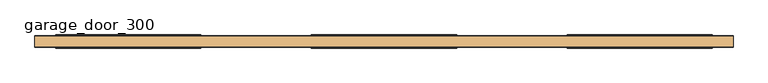
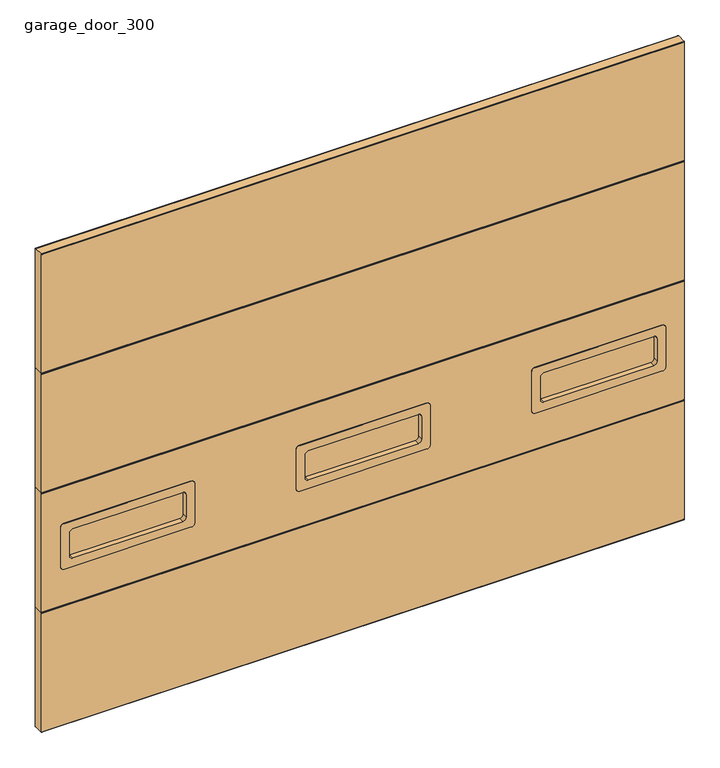
"""IFC4 building model written with IfcOpenShell, lengths in millimetres: door geometry, garage_door_300."""

from ifc_helpers import new_model, si_unit, point, frame, frame_2d, origin, place, context, project, spatial, polyline, circle_curve, trimmed, segment, composite_curve, outline, extrude, source, transform, mapped, element, save
from ifc_brep_helpers import plane_surface, cylinder_surface, revolved_surface, advanced_brep


def garage_door_300_9dfd5930(model_context):
    return source(origin(), model_context, "Body", "SolidModel", [
        extrude(outline(composite_curve([segment(trimmed(circle_curve(frame_2d((1557.15, -1377.95)), 15.875), [point((1573.025, -1377.95))], [point((1557.15, -1393.825))], False, "CARTESIAN"), True, "CONTINUOUS"), segment(polyline([(1557.15, -1393.825), (1442.85, -1393.825)]), True, "CONTINUOUS"), segment(trimmed(circle_curve(frame_2d((1442.85, -1377.95)), 15.875), [point((1442.85, -1393.825))], [point((1426.975, -1377.95))], False, "CARTESIAN"), True, "CONTINUOUS"), segment(polyline([(1426.975, -1377.95), (1426.975, -857.25)]), True, "CONTINUOUS"), segment(trimmed(circle_curve(frame_2d((1442.85, -857.25)), 15.875), [point((1426.975, -857.25))], [point((1442.85, -841.375))], False, "CARTESIAN"), True, "CONTINUOUS"), segment(polyline([(1442.85, -841.375), (1557.15, -841.375)]), True, "CONTINUOUS"), segment(trimmed(circle_curve(frame_2d((1557.15, -857.25)), 15.875), [point((1557.15, -841.375))], [point((1573.025, -857.25))], False, "CARTESIAN"), True, "CONTINUOUS"), segment(polyline([(1573.025, -857.25), (1573.025, -1377.95)]), True, "CONTINUOUS")], self_intersect=False)), frame((0.0, -286.275, 0.0), z_axis=(0.0, 1.0, 0.0), x_axis=(0.0, 0.0, 1.0)), (0.0, 0.0, 1.0), 6.35),
        extrude(outline(composite_curve([segment(polyline([(1385.7, -1419.225), (1385.7, -815.975)]), True, "CONTINUOUS"), segment(trimmed(circle_curve(frame_2d((1401.575, -815.975)), 15.875), [point((1385.7, -815.975))], [point((1401.575, -800.1))], False, "CARTESIAN"), True, "CONTINUOUS"), segment(polyline([(1401.575, -800.1), (1598.425, -800.1)]), True, "CONTINUOUS"), segment(trimmed(circle_curve(frame_2d((1598.425, -815.975)), 15.875), [point((1598.425, -800.1))], [point((1614.3, -815.975))], False, "CARTESIAN"), True, "CONTINUOUS"), segment(polyline([(1614.3, -815.975), (1614.3, -1419.225)]), True, "CONTINUOUS"), segment(trimmed(circle_curve(frame_2d((1598.425, -1419.225)), 15.875), [point((1614.3, -1419.225))], [point((1598.425, -1435.1))], False, "CARTESIAN"), True, "CONTINUOUS"), segment(polyline([(1598.425, -1435.1), (1401.575, -1435.1)]), True, "CONTINUOUS"), segment(trimmed(circle_curve(frame_2d((1401.575, -1419.225)), 15.875), [point((1401.575, -1435.1))], [point((1385.7, -1419.225))], False, "CARTESIAN"), True, "CONTINUOUS")], self_intersect=False), holes=[composite_curve([segment(trimmed(circle_curve(frame_2d((1442.85, -1377.95)), 15.875), [point((1426.975, -1377.95))], [point((1442.85, -1393.825))], True, "CARTESIAN"), True, "CONTINUOUS"), segment(polyline([(1442.85, -1393.825), (1557.15, -1393.825)]), True, "CONTINUOUS"), segment(trimmed(circle_curve(frame_2d((1557.15, -1377.95)), 15.875), [point((1557.15, -1393.825))], [point((1573.025, -1377.95))], True, "CARTESIAN"), True, "CONTINUOUS"), segment(polyline([(1573.025, -1377.95), (1573.025, -857.25)]), True, "CONTINUOUS"), segment(trimmed(circle_curve(frame_2d((1557.15, -857.25)), 15.875), [point((1573.025, -857.25))], [point((1557.15, -841.375))], True, "CARTESIAN"), True, "CONTINUOUS"), segment(polyline([(1557.15, -841.375), (1442.85, -841.375)]), True, "CONTINUOUS"), segment(trimmed(circle_curve(frame_2d((1442.85, -857.25)), 15.875), [point((1442.85, -841.375))], [point((1426.975, -857.25))], True, "CARTESIAN"), True, "CONTINUOUS"), segment(polyline([(1426.975, -857.25), (1426.975, -1377.95)]), True, "CONTINUOUS")], self_intersect=False)]), frame((0.0, -311.675, 0.0), z_axis=(0.0, 1.0, 0.0), x_axis=(0.0, 0.0, 1.0)), (0.0, 0.0, 1.0), 57.15),
        extrude(outline(composite_curve([segment(trimmed(circle_curve(frame_2d((1557.15, -260.35)), 15.875), [point((1573.025, -260.35))], [point((1557.15, -276.225))], False, "CARTESIAN"), True, "CONTINUOUS"), segment(polyline([(1557.15, -276.225), (1442.85, -276.225)]), True, "CONTINUOUS"), segment(trimmed(circle_curve(frame_2d((1442.85, -260.35)), 15.875), [point((1442.85, -276.225))], [point((1426.975, -260.35))], False, "CARTESIAN"), True, "CONTINUOUS"), segment(polyline([(1426.975, -260.35), (1426.975, 260.35)]), True, "CONTINUOUS"), segment(trimmed(circle_curve(frame_2d((1442.85, 260.35)), 15.875), [point((1426.975, 260.35))], [point((1442.85, 276.225))], False, "CARTESIAN"), True, "CONTINUOUS"), segment(polyline([(1442.85, 276.225), (1557.15, 276.225)]), True, "CONTINUOUS"), segment(trimmed(circle_curve(frame_2d((1557.15, 260.35)), 15.875), [point((1557.15, 276.225))], [point((1573.025, 260.35))], False, "CARTESIAN"), True, "CONTINUOUS"), segment(polyline([(1573.025, 260.35), (1573.025, -260.35)]), True, "CONTINUOUS")], self_intersect=False)), frame((0.0, -286.275, 0.0), z_axis=(0.0, 1.0, 0.0), x_axis=(0.0, 0.0, 1.0)), (0.0, 0.0, 1.0), 6.35),
        extrude(outline(composite_curve([segment(polyline([(1385.7, -301.625), (1385.7, 301.625)]), True, "CONTINUOUS"), segment(trimmed(circle_curve(frame_2d((1401.575, 301.625)), 15.875), [point((1385.7, 301.625))], [point((1401.575, 317.5))], False, "CARTESIAN"), True, "CONTINUOUS"), segment(polyline([(1401.575, 317.5), (1598.425, 317.5)]), True, "CONTINUOUS"), segment(trimmed(circle_curve(frame_2d((1598.425, 301.625)), 15.875), [point((1598.425, 317.5))], [point((1614.3, 301.625))], False, "CARTESIAN"), True, "CONTINUOUS"), segment(polyline([(1614.3, 301.625), (1614.3, -301.625)]), True, "CONTINUOUS"), segment(trimmed(circle_curve(frame_2d((1598.425, -301.625)), 15.875), [point((1614.3, -301.625))], [point((1598.425, -317.5))], False, "CARTESIAN"), True, "CONTINUOUS"), segment(polyline([(1598.425, -317.5), (1401.575, -317.5)]), True, "CONTINUOUS"), segment(trimmed(circle_curve(frame_2d((1401.575, -301.625)), 15.875), [point((1401.575, -317.5))], [point((1385.7, -301.625))], False, "CARTESIAN"), True, "CONTINUOUS")], self_intersect=False), holes=[composite_curve([segment(trimmed(circle_curve(frame_2d((1442.85, -260.35)), 15.875), [point((1426.975, -260.35))], [point((1442.85, -276.225))], True, "CARTESIAN"), True, "CONTINUOUS"), segment(polyline([(1442.85, -276.225), (1557.15, -276.225)]), True, "CONTINUOUS"), segment(trimmed(circle_curve(frame_2d((1557.15, -260.35)), 15.875), [point((1557.15, -276.225))], [point((1573.025, -260.35))], True, "CARTESIAN"), True, "CONTINUOUS"), segment(polyline([(1573.025, -260.35), (1573.025, 260.35)]), True, "CONTINUOUS"), segment(trimmed(circle_curve(frame_2d((1557.15, 260.35)), 15.875), [point((1573.025, 260.35))], [point((1557.15, 276.225))], True, "CARTESIAN"), True, "CONTINUOUS"), segment(polyline([(1557.15, 276.225), (1442.85, 276.225)]), True, "CONTINUOUS"), segment(trimmed(circle_curve(frame_2d((1442.85, 260.35)), 15.875), [point((1442.85, 276.225))], [point((1426.975, 260.35))], True, "CARTESIAN"), True, "CONTINUOUS"), segment(polyline([(1426.975, 260.35), (1426.975, -260.35)]), True, "CONTINUOUS")], self_intersect=False)]), frame((0.0, -311.675, 0.0), z_axis=(0.0, 1.0, 0.0), x_axis=(0.0, 0.0, 1.0)), (0.0, 0.0, 1.0), 57.15),
        extrude(outline(composite_curve([segment(trimmed(circle_curve(frame_2d((1557.15, 857.25)), 15.875), [point((1573.025, 857.25))], [point((1557.15, 841.375))], False, "CARTESIAN"), True, "CONTINUOUS"), segment(polyline([(1557.15, 841.375), (1442.85, 841.375)]), True, "CONTINUOUS"), segment(trimmed(circle_curve(frame_2d((1442.85, 857.25)), 15.875), [point((1442.85, 841.375))], [point((1426.975, 857.25))], False, "CARTESIAN"), True, "CONTINUOUS"), segment(polyline([(1426.975, 857.25), (1426.975, 1377.95)]), True, "CONTINUOUS"), segment(trimmed(circle_curve(frame_2d((1442.85, 1377.95)), 15.875), [point((1426.975, 1377.95))], [point((1442.85, 1393.825))], False, "CARTESIAN"), True, "CONTINUOUS"), segment(polyline([(1442.85, 1393.825), (1557.15, 1393.825)]), True, "CONTINUOUS"), segment(trimmed(circle_curve(frame_2d((1557.15, 1377.95)), 15.875), [point((1557.15, 1393.825))], [point((1573.025, 1377.95))], False, "CARTESIAN"), True, "CONTINUOUS"), segment(polyline([(1573.025, 1377.95), (1573.025, 857.25)]), True, "CONTINUOUS")], self_intersect=False)), frame((0.0, -286.275, 0.0), z_axis=(0.0, 1.0, 0.0), x_axis=(0.0, 0.0, 1.0)), (0.0, 0.0, 1.0), 6.35),
        extrude(outline(composite_curve([segment(polyline([(1385.7, 815.975), (1385.7, 1419.225)]), True, "CONTINUOUS"), segment(trimmed(circle_curve(frame_2d((1401.575, 1419.225)), 15.875), [point((1385.7, 1419.225))], [point((1401.575, 1435.1))], False, "CARTESIAN"), True, "CONTINUOUS"), segment(polyline([(1401.575, 1435.1), (1598.425, 1435.1)]), True, "CONTINUOUS"), segment(trimmed(circle_curve(frame_2d((1598.425, 1419.225)), 15.875), [point((1598.425, 1435.1))], [point((1614.3, 1419.225))], False, "CARTESIAN"), True, "CONTINUOUS"), segment(polyline([(1614.3, 1419.225), (1614.3, 815.975)]), True, "CONTINUOUS"), segment(trimmed(circle_curve(frame_2d((1598.425, 815.975)), 15.875), [point((1614.3, 815.975))], [point((1598.425, 800.1))], False, "CARTESIAN"), True, "CONTINUOUS"), segment(polyline([(1598.425, 800.1), (1401.575, 800.1)]), True, "CONTINUOUS"), segment(trimmed(circle_curve(frame_2d((1401.575, 815.975)), 15.875), [point((1401.575, 800.1))], [point((1385.7, 815.975))], False, "CARTESIAN"), True, "CONTINUOUS")], self_intersect=False), holes=[composite_curve([segment(trimmed(circle_curve(frame_2d((1442.85, 857.25)), 15.875), [point((1426.975, 857.25))], [point((1442.85, 841.375))], True, "CARTESIAN"), True, "CONTINUOUS"), segment(polyline([(1442.85, 841.375), (1557.15, 841.375)]), True, "CONTINUOUS"), segment(trimmed(circle_curve(frame_2d((1557.15, 857.25)), 15.875), [point((1557.15, 841.375))], [point((1573.025, 857.25))], True, "CARTESIAN"), True, "CONTINUOUS"), segment(polyline([(1573.025, 857.25), (1573.025, 1377.95)]), True, "CONTINUOUS"), segment(trimmed(circle_curve(frame_2d((1557.15, 1377.95)), 15.875), [point((1573.025, 1377.95))], [point((1557.15, 1393.825))], True, "CARTESIAN"), True, "CONTINUOUS"), segment(polyline([(1557.15, 1393.825), (1442.85, 1393.825)]), True, "CONTINUOUS"), segment(trimmed(circle_curve(frame_2d((1442.85, 1377.95)), 15.875), [point((1442.85, 1393.825))], [point((1426.975, 1377.95))], True, "CARTESIAN"), True, "CONTINUOUS"), segment(polyline([(1426.975, 1377.95), (1426.975, 857.25)]), True, "CONTINUOUS")], self_intersect=False)]), frame((0.0, -311.675, 0.0), z_axis=(0.0, 1.0, 0.0), x_axis=(0.0, 0.0, 1.0)), (0.0, 0.0, 1.0), 57.15),
        advanced_brep(
        [(1525.4, -305.3393461, 1800.0), (1525.4, -308.5, 1796.8393461), (1525.4, -308.5, 1203.1606539), (1525.4, -305.3393461, 1200.0), (1525.4, -260.8564999, 1200.0), (1525.4, -257.7, 1203.1564999), (1525.4, -257.7, 1298.3673318), (1525.4, -258.4701339, 1299.5532341), (1525.4, -258.716, 1300.383264), (1525.4, -258.716, 1302.816736), (1525.4, -258.4701339, 1303.6467659), (1525.4, -257.7, 1304.8326682), (1525.4, -257.7, 1436.7673318), (1525.4, -258.4701339, 1437.9532341), (1525.4, -258.716, 1438.783264), (1525.4, -258.716, 1441.216736), (1525.4, -258.4701339, 1442.0467659), (1525.4, -257.7, 1443.2326682), (1525.4, -257.7, 1575.1673318), (1525.4, -258.4701339, 1576.3532341), (1525.4, -258.716, 1577.183264), (1525.4, -258.716, 1579.616736), (1525.4, -258.4701339, 1580.4467659), (1525.4, -257.7, 1581.6326682), (1525.4, -257.7, 1713.5673318), (1525.4, -258.4701339, 1714.7532341), (1525.4, -258.716, 1715.583264), (1525.4, -258.716, 1718.016736), (1525.4, -258.4701339, 1718.8467659), (1525.4, -257.7, 1720.0326682), (1525.4, -257.7, 1796.8435001), (1525.4, -260.8564999, 1800.0), (-1525.4, -305.3393461, 1800.0), (-1525.4, -260.8564999, 1800.0), (-1525.4, -257.7, 1796.8435001), (-1525.4, -257.7, 1720.0326682), (-1525.4, -258.4701339, 1718.8467659), (-1525.4, -258.716, 1718.016736), (-1525.4, -258.716, 1715.583264), (-1525.4, -258.4701339, 1714.7532341), (-1525.4, -257.7, 1713.5673318), (-1525.4, -257.7, 1581.6326682), (-1525.4, -258.4701339, 1580.4467659), (-1525.4, -258.716, 1579.616736), (-1525.4, -258.716, 1577.183264), (-1525.4, -258.4701339, 1576.3532341), (-1525.4, -257.7, 1575.1673318), (-1525.4, -257.7, 1443.2326682), (-1525.4, -258.4701339, 1442.0467659), (-1525.4, -258.716, 1441.216736), (-1525.4, -258.716, 1438.783264), (-1525.4, -258.4701339, 1437.9532341), (-1525.4, -257.7, 1436.7673318), (-1525.4, -257.7, 1304.8326682), (-1525.4, -258.4701339, 1303.6467659), (-1525.4, -258.716, 1302.816736), (-1525.4, -258.716, 1300.383264), (-1525.4, -258.4701339, 1299.5532341), (-1525.4, -257.7, 1298.3673318), (-1525.4, -257.7, 1203.1564999), (-1525.4, -260.8564999, 1200.0), (-1525.4, -305.3393461, 1200.0), (-1525.4, -308.5, 1203.1606539), (-1525.4, -308.5, 1796.8393461), (825.5, -257.7, 1411.1), (1409.7, -257.7, 1411.1), (1409.7, -257.7, 1436.7673318), (-1409.7, -257.7, 1436.7673318), (-1409.7, -257.7, 1411.1), (-825.5, -257.7, 1411.1), (-825.5, -257.7, 1436.7673318), (-292.1, -257.7, 1436.7673318), (-292.1, -257.7, 1411.1), (292.1, -257.7, 1411.1), (292.1, -257.7, 1436.7673318), (825.5, -257.7, 1436.7673318), (1409.7, -257.7, 1588.9), (825.5, -257.7, 1588.9), (825.5, -257.7, 1581.6326682), (292.1, -257.7, 1581.6326682), (292.1, -257.7, 1588.9), (-292.1, -257.7, 1588.9), (-292.1, -257.7, 1581.6326682), (-825.5, -257.7, 1581.6326682), (-825.5, -257.7, 1588.9), (-1409.7, -257.7, 1588.9), (-1409.7, -257.7, 1581.6326682), (1409.7, -257.7, 1581.6326682), (-1409.7, -257.7, 1443.2326682), (-1409.7, -257.7, 1575.1673318), (825.5, -257.7, 1500.0), (825.5, -257.7, 1443.2326682), (292.1, -257.7, 1443.2326682), (292.1, -257.7, 1575.1673318), (825.5, -257.7, 1575.1673318), (1409.7, -257.7, 1443.2326682), (1409.7, -257.7, 1500.0), (1409.7, -257.7, 1575.1673318), (-292.1, -257.7, 1443.2326682), (-825.5, -257.7, 1443.2326682), (-825.5, -257.7, 1575.1673318), (-292.1, -257.7, 1575.1673318), (-1409.7, -308.5, 1588.9), (-825.5, -308.5, 1588.9), (-825.5, -308.5, 1411.1), (-1409.7, -308.5, 1411.1), (825.5, -308.5, 1588.9), (1409.7, -308.5, 1588.9), (1409.7, -308.5, 1500.0), (1409.7, -308.5, 1411.1), (825.5, -308.5, 1411.1), (825.5, -308.5, 1500.0), (-292.1, -308.5, 1588.9), (292.1, -308.5, 1588.9), (292.1, -308.5, 1411.1), (-292.1, -308.5, 1411.1), (825.5, -258.4701339, 1437.9532341), (825.5, -258.716, 1438.783264), (825.5, -258.716, 1441.216736), (825.5, -258.4701339, 1442.0467659), (825.5, -258.4701339, 1576.3532341), (825.5, -258.716, 1577.183264), (825.5, -258.716, 1579.616736), (825.5, -258.4701339, 1580.4467659), (1409.7, -258.4701339, 1580.4467659), (1409.7, -258.716, 1579.616736), (1409.7, -258.716, 1577.183264), (1409.7, -258.4701339, 1576.3532341), (1409.7, -258.4701339, 1442.0467659), (1409.7, -258.716, 1441.216736), (1409.7, -258.716, 1438.783264), (1409.7, -258.4701339, 1437.9532341), (-1409.7, -258.4701339, 1437.9532341), (-1409.7, -258.716, 1438.783264), (-1409.7, -258.716, 1441.216736), (-1409.7, -258.4701339, 1442.0467659), (-1409.7, -258.4701339, 1576.3532341), (-1409.7, -258.716, 1577.183264), (-1409.7, -258.716, 1579.616736), (-1409.7, -258.4701339, 1580.4467659), (-825.5, -258.4701339, 1580.4467659), (-825.5, -258.716, 1579.616736), (-825.5, -258.716, 1577.183264), (-825.5, -258.4701339, 1576.3532341), (-825.5, -258.4701339, 1442.0467659), (-825.5, -258.716, 1441.216736), (-825.5, -258.716, 1438.783264), (-825.5, -258.4701339, 1437.9532341), (-292.1, -258.4701339, 1437.9532341), (-292.1, -258.716, 1438.783264), (-292.1, -258.716, 1441.216736), (-292.1, -258.4701339, 1442.0467659), (-292.1, -258.4701339, 1576.3532341), (-292.1, -258.716, 1577.183264), (-292.1, -258.716, 1579.616736), (-292.1, -258.4701339, 1580.4467659), (292.1, -258.4701339, 1580.4467659), (292.1, -258.716, 1579.616736), (292.1, -258.716, 1577.183264), (292.1, -258.4701339, 1576.3532341), (292.1, -258.4701339, 1442.0467659), (292.1, -258.716, 1441.216736), (292.1, -258.716, 1438.783264), (292.1, -258.4701339, 1437.9532341)],
        [
            (0, 1, circle_curve(frame((1525.4, -305.3393461, 1796.8393461), z_axis=(1.0, 0.0, 0.0), x_axis=(0.0, 0.0, 1.0)), 3.1606539)),
            (1, 2),
            (2, 3, circle_curve(frame((1525.4, -305.3393461, 1203.1606539), z_axis=(1.0, 0.0, 0.0), x_axis=(0.0, 0.0, 1.0)), 3.1606539)),
            (3, 4),
            (4, 5, circle_curve(frame((1525.4, -260.8564999, 1203.1564999), z_axis=(1.0, 0.0, 0.0), x_axis=(0.0, 0.0, 1.0)), 3.1564999)),
            (5, 6),
            (6, 7),
            (7, 8, circle_curve(frame((1525.4, -257.192, 1300.383264), z_axis=(-1.0, 0.0, 0.0), x_axis=(0.0, 1.0, 0.0)), 1.524)),
            (8, 9),
            (9, 10, circle_curve(frame((1525.4, -257.192, 1302.816736), z_axis=(-1.0, 0.0, 0.0), x_axis=(0.0, 1.0, 0.0)), 1.524)),
            (10, 11),
            (11, 12),
            (12, 13),
            (13, 14, circle_curve(frame((1525.4, -257.192, 1438.783264), z_axis=(-1.0, 0.0, 0.0), x_axis=(0.0, 1.0, 0.0)), 1.524)),
            (14, 15),
            (15, 16, circle_curve(frame((1525.4, -257.192, 1441.216736), z_axis=(-1.0, 0.0, 0.0), x_axis=(0.0, 1.0, 0.0)), 1.524)),
            (16, 17),
            (17, 18),
            (18, 19),
            (19, 20, circle_curve(frame((1525.4, -257.192, 1577.183264), z_axis=(-1.0, 0.0, 0.0), x_axis=(0.0, 1.0, 0.0)), 1.524)),
            (20, 21),
            (21, 22, circle_curve(frame((1525.4, -257.192, 1579.616736), z_axis=(-1.0, 0.0, 0.0), x_axis=(0.0, 1.0, 0.0)), 1.524)),
            (22, 23),
            (23, 24),
            (24, 25),
            (25, 26, circle_curve(frame((1525.4, -257.192, 1715.583264), z_axis=(-1.0, 0.0, 0.0), x_axis=(0.0, 1.0, 0.0)), 1.524)),
            (26, 27),
            (27, 28, circle_curve(frame((1525.4, -257.192, 1718.016736), z_axis=(-1.0, 0.0, 0.0), x_axis=(0.0, 1.0, 0.0)), 1.524)),
            (28, 29),
            (29, 30),
            (30, 31, circle_curve(frame((1525.4, -260.8564999, 1796.8435001), z_axis=(1.0, 0.0, 0.0), x_axis=(0.0, 0.0, 1.0)), 3.1564999)),
            (31, 0),
            (32, 33),
            (33, 34, circle_curve(frame((-1525.4, -260.8564999, 1796.8435001), z_axis=(-1.0, 0.0, 0.0), x_axis=(0.0, 0.0, 1.0)), 3.1564999)),
            (34, 35),
            (35, 36),
            (36, 37, circle_curve(frame((-1525.4, -257.192, 1718.016736), z_axis=(1.0, 0.0, 0.0), x_axis=(0.0, 1.0, 0.0)), 1.524)),
            (37, 38),
            (38, 39, circle_curve(frame((-1525.4, -257.192, 1715.583264), z_axis=(1.0, 0.0, 0.0), x_axis=(0.0, 1.0, 0.0)), 1.524)),
            (39, 40),
            (40, 41),
            (41, 42),
            (42, 43, circle_curve(frame((-1525.4, -257.192, 1579.616736), z_axis=(1.0, 0.0, 0.0), x_axis=(0.0, 1.0, 0.0)), 1.524)),
            (43, 44),
            (44, 45, circle_curve(frame((-1525.4, -257.192, 1577.183264), z_axis=(1.0, 0.0, 0.0), x_axis=(0.0, 1.0, 0.0)), 1.524)),
            (45, 46),
            (46, 47),
            (47, 48),
            (48, 49, circle_curve(frame((-1525.4, -257.192, 1441.216736), z_axis=(1.0, 0.0, 0.0), x_axis=(0.0, 1.0, 0.0)), 1.524)),
            (49, 50),
            (50, 51, circle_curve(frame((-1525.4, -257.192, 1438.783264), z_axis=(1.0, 0.0, 0.0), x_axis=(0.0, 1.0, 0.0)), 1.524)),
            (51, 52),
            (52, 53),
            (53, 54),
            (54, 55, circle_curve(frame((-1525.4, -257.192, 1302.816736), z_axis=(1.0, 0.0, 0.0), x_axis=(0.0, 1.0, 0.0)), 1.524)),
            (55, 56),
            (56, 57, circle_curve(frame((-1525.4, -257.192, 1300.383264), z_axis=(1.0, 0.0, 0.0), x_axis=(0.0, 1.0, 0.0)), 1.524)),
            (57, 58),
            (58, 59),
            (59, 60, circle_curve(frame((-1525.4, -260.8564999, 1203.1564999), z_axis=(-1.0, 0.0, 0.0), x_axis=(0.0, 0.0, 1.0)), 3.1564999)),
            (60, 61),
            (61, 62, circle_curve(frame((-1525.4, -305.3393461, 1203.1606539), z_axis=(-1.0, 0.0, 0.0), x_axis=(0.0, 0.0, 1.0)), 3.1606539)),
            (62, 63),
            (63, 32, circle_curve(frame((-1525.4, -305.3393461, 1796.8393461), z_axis=(-1.0, 0.0, 0.0), x_axis=(0.0, 0.0, 1.0)), 3.1606539)),
            (31, 33),
            (32, 0),
            (5, 59),
            (58, 6),
            (64, 65),
            (65, 66),
            (66, 12),
            (11, 53),
            (52, 67),
            (67, 68),
            (68, 69),
            (69, 70),
            (70, 71),
            (71, 72),
            (72, 73),
            (73, 74),
            (74, 75),
            (75, 64),
            (76, 77),
            (77, 78),
            (78, 79),
            (79, 80),
            (80, 81),
            (81, 82),
            (82, 83),
            (83, 84),
            (84, 85),
            (85, 86),
            (86, 41),
            (40, 24),
            (23, 87),
            (87, 76),
            (34, 30),
            (29, 35),
            (88, 47),
            (46, 89),
            (89, 88),
            (90, 91),
            (91, 92),
            (92, 93),
            (93, 94),
            (94, 90),
            (95, 96),
            (96, 97),
            (97, 18),
            (17, 95),
            (98, 99),
            (99, 100),
            (100, 101),
            (101, 98),
            (1, 63),
            (62, 2),
            (102, 103),
            (103, 104),
            (104, 105),
            (105, 102),
            (106, 107),
            (107, 108),
            (108, 109),
            (109, 110),
            (110, 111),
            (111, 106),
            (112, 113),
            (113, 114),
            (114, 115),
            (115, 112),
            (61, 3),
            (60, 4),
            (77, 106),
            (110, 64),
            (75, 116),
            (116, 117, circle_curve(frame((825.5, -257.192, 1438.783264), z_axis=(-1.0, 0.0, 0.0), x_axis=(0.0, 1.0, 0.0)), 1.524)),
            (117, 118),
            (118, 119, circle_curve(frame((825.5, -257.192, 1441.216736), z_axis=(-1.0, 0.0, 0.0), x_axis=(0.0, 1.0, 0.0)), 1.524)),
            (119, 91),
            (94, 120),
            (120, 121, circle_curve(frame((825.5, -257.192, 1577.183264), z_axis=(-1.0, 0.0, 0.0), x_axis=(0.0, 1.0, 0.0)), 1.524)),
            (121, 122),
            (122, 123, circle_curve(frame((825.5, -257.192, 1579.616736), z_axis=(-1.0, 0.0, 0.0), x_axis=(0.0, 1.0, 0.0)), 1.524)),
            (123, 78),
            (107, 76),
            (87, 124),
            (124, 125, circle_curve(frame((1409.7, -257.192, 1579.616736), z_axis=(1.0, 0.0, 0.0), x_axis=(0.0, 1.0, 0.0)), 1.524)),
            (125, 126),
            (126, 127, circle_curve(frame((1409.7, -257.192, 1577.183264), z_axis=(1.0, 0.0, 0.0), x_axis=(0.0, 1.0, 0.0)), 1.524)),
            (127, 97),
            (95, 128),
            (128, 129, circle_curve(frame((1409.7, -257.192, 1441.216736), z_axis=(1.0, 0.0, 0.0), x_axis=(0.0, 1.0, 0.0)), 1.524)),
            (129, 130),
            (130, 131, circle_curve(frame((1409.7, -257.192, 1438.783264), z_axis=(1.0, 0.0, 0.0), x_axis=(0.0, 1.0, 0.0)), 1.524)),
            (131, 66),
            (65, 109),
            (85, 102),
            (105, 68),
            (67, 132),
            (132, 133, circle_curve(frame((-1409.7, -257.192, 1438.783264), z_axis=(-1.0, 0.0, 0.0), x_axis=(0.0, 1.0, 0.0)), 1.524)),
            (133, 134),
            (134, 135, circle_curve(frame((-1409.7, -257.192, 1441.216736), z_axis=(-1.0, 0.0, 0.0), x_axis=(0.0, 1.0, 0.0)), 1.524)),
            (135, 88),
            (89, 136),
            (136, 137, circle_curve(frame((-1409.7, -257.192, 1577.183264), z_axis=(-1.0, 0.0, 0.0), x_axis=(0.0, 1.0, 0.0)), 1.524)),
            (137, 138),
            (138, 139, circle_curve(frame((-1409.7, -257.192, 1579.616736), z_axis=(-1.0, 0.0, 0.0), x_axis=(0.0, 1.0, 0.0)), 1.524)),
            (139, 86),
            (103, 84),
            (83, 140),
            (140, 141, circle_curve(frame((-825.5, -257.192, 1579.616736), z_axis=(1.0, 0.0, 0.0), x_axis=(0.0, 1.0, 0.0)), 1.524)),
            (141, 142),
            (142, 143, circle_curve(frame((-825.5, -257.192, 1577.183264), z_axis=(1.0, 0.0, 0.0), x_axis=(0.0, 1.0, 0.0)), 1.524)),
            (143, 100),
            (99, 144),
            (144, 145, circle_curve(frame((-825.5, -257.192, 1441.216736), z_axis=(1.0, 0.0, 0.0), x_axis=(0.0, 1.0, 0.0)), 1.524)),
            (145, 146),
            (146, 147, circle_curve(frame((-825.5, -257.192, 1438.783264), z_axis=(1.0, 0.0, 0.0), x_axis=(0.0, 1.0, 0.0)), 1.524)),
            (147, 70),
            (69, 104),
            (81, 112),
            (115, 72),
            (71, 148),
            (148, 149, circle_curve(frame((-292.1, -257.192, 1438.783264), z_axis=(-1.0, 0.0, 0.0), x_axis=(0.0, 1.0, 0.0)), 1.524)),
            (149, 150),
            (150, 151, circle_curve(frame((-292.1, -257.192, 1441.216736), z_axis=(-1.0, 0.0, 0.0), x_axis=(0.0, 1.0, 0.0)), 1.524)),
            (151, 98),
            (101, 152),
            (152, 153, circle_curve(frame((-292.1, -257.192, 1577.183264), z_axis=(-1.0, 0.0, 0.0), x_axis=(0.0, 1.0, 0.0)), 1.524)),
            (153, 154),
            (154, 155, circle_curve(frame((-292.1, -257.192, 1579.616736), z_axis=(-1.0, 0.0, 0.0), x_axis=(0.0, 1.0, 0.0)), 1.524)),
            (155, 82),
            (113, 80),
            (79, 156),
            (156, 157, circle_curve(frame((292.1, -257.192, 1579.616736), z_axis=(1.0, 0.0, 0.0), x_axis=(0.0, 1.0, 0.0)), 1.524)),
            (157, 158),
            (158, 159, circle_curve(frame((292.1, -257.192, 1577.183264), z_axis=(1.0, 0.0, 0.0), x_axis=(0.0, 1.0, 0.0)), 1.524)),
            (159, 93),
            (92, 160),
            (160, 161, circle_curve(frame((292.1, -257.192, 1441.216736), z_axis=(1.0, 0.0, 0.0), x_axis=(0.0, 1.0, 0.0)), 1.524)),
            (161, 162),
            (162, 163, circle_curve(frame((292.1, -257.192, 1438.783264), z_axis=(1.0, 0.0, 0.0), x_axis=(0.0, 1.0, 0.0)), 1.524)),
            (163, 74),
            (73, 114),
            (10, 54),
            (57, 7),
            (8, 56),
            (55, 9),
            (16, 128),
            (119, 160),
            (135, 48),
            (151, 144),
            (131, 13),
            (163, 116),
            (51, 132),
            (147, 148),
            (14, 130),
            (129, 15),
            (117, 162),
            (161, 118),
            (133, 50),
            (49, 134),
            (149, 146),
            (145, 150),
            (123, 156),
            (22, 124),
            (155, 140),
            (139, 42),
            (159, 120),
            (127, 19),
            (143, 152),
            (45, 136),
            (121, 158),
            (157, 122),
            (20, 126),
            (125, 21),
            (153, 142),
            (141, 154),
            (137, 44),
            (43, 138),
            (28, 36),
            (39, 25),
            (26, 38),
            (37, 27),
        ],
        [
            plane_surface(frame((1525.4, -305.3393461, 1800.0), z_axis=(1.0, 0.0, 0.0), x_axis=(0.0, -1.0, 0.0))),
            plane_surface(frame((-1525.4, -305.3393461, 1800.0), z_axis=(-1.0, 0.0, 0.0), x_axis=(0.0, 1.0, 0.0))),
            plane_surface(frame((1525.4, -260.8564999, 1800.0), z_axis=(0.0, 0.0, 1.0), x_axis=(-1.0, 0.0, 0.0))),
            plane_surface(frame((1525.4, -257.7, 1203.1564999), z_axis=(0.0, 1.0, 0.0), x_axis=(-1.0, 0.0, 0.0))),
            plane_surface(frame((1525.4, -308.5, 1796.8393461), z_axis=(0.0, -1.0, 0.0), x_axis=(-1.0, 0.0, 0.0))),
            cylinder_surface(frame((-1525.4, -260.8564999, 1796.8435001), z_axis=(1.0, 0.0, 0.0), x_axis=(0.0, 0.0, 1.0)), 3.1564999),
            cylinder_surface(frame((-1525.4, -305.3393461, 1796.8393461), z_axis=(1.0, 0.0, 0.0), x_axis=(0.0, 0.0, 1.0)), 3.1606539),
            cylinder_surface(frame((-1525.4, -305.3393461, 1203.1606539), z_axis=(1.0, 0.0, 0.0), x_axis=(0.0, 0.0, 1.0)), 3.1606539),
            plane_surface(frame((1525.4, -305.3393461, 1200.0), z_axis=(0.0, 0.0, -1.0), x_axis=(-1.0, 0.0, 0.0))),
            cylinder_surface(frame((-1525.4, -260.8564999, 1203.1564999), z_axis=(1.0, 0.0, 0.0), x_axis=(0.0, 0.0, 1.0)), 3.1564999),
            plane_surface(frame((825.5, -308.5, 1588.9), z_axis=(1.0, 0.0, 0.0), x_axis=(0.0, 1.0, 0.0))),
            plane_surface(frame((1409.7, -308.5, 1500.0), z_axis=(-1.0, 0.0, 0.0), x_axis=(0.0, 1.0, 0.0))),
            plane_surface(frame((1409.7, -308.5, 1588.9), z_axis=(0.0, 0.0, -1.0), x_axis=(0.0, 1.0, 0.0))),
            plane_surface(frame((825.5, -308.5, 1411.1), z_axis=(0.0, 0.0, 1.0), x_axis=(0.0, 1.0, 0.0))),
            plane_surface(frame((-1409.7, -308.5, 1588.9), z_axis=(1.0, 0.0, 0.0), x_axis=(0.0, 1.0, 0.0))),
            plane_surface(frame((-825.5, -308.5, 1500.0), z_axis=(-1.0, 0.0, 0.0), x_axis=(0.0, 1.0, 0.0))),
            plane_surface(frame((-825.5, -308.5, 1588.9), z_axis=(0.0, 0.0, -1.0), x_axis=(0.0, 1.0, 0.0))),
            plane_surface(frame((-1409.7, -308.5, 1411.1), z_axis=(0.0, 0.0, 1.0), x_axis=(0.0, 1.0, 0.0))),
            plane_surface(frame((-292.1, -308.5, 1588.9), z_axis=(1.0, 0.0, 0.0), x_axis=(0.0, 1.0, 0.0))),
            plane_surface(frame((292.1, -308.5, 1500.0), z_axis=(-1.0, 0.0, 0.0), x_axis=(0.0, 1.0, 0.0))),
            plane_surface(frame((292.1, -308.5, 1588.9), z_axis=(0.0, 0.0, -1.0), x_axis=(0.0, 1.0, 0.0))),
            plane_surface(frame((-292.1, -308.5, 1411.1), z_axis=(0.0, 0.0, 1.0), x_axis=(0.0, 1.0, 0.0))),
            plane_surface(frame((-3050.8, -258.4701339, 1303.6467659), z_axis=(0.0, 0.8386705679515535, -0.5446390350055887), x_axis=(1.0, 0.0, 0.0))),
            plane_surface(frame((-3050.8, -257.7, 1298.3673318), z_axis=(0.0, 0.8386705679367327, 0.5446390350284107), x_axis=(1.0, 0.0, 0.0))),
            plane_surface(frame((-3050.8, -258.716, 1300.383264), z_axis=(0.0, 1.0, -9.219605754548186e-12), x_axis=(1.0, 0.0, 0.0))),
            revolved_surface(polyline([(-1525.4, -255.668, 1300.383264), (1525.4, -255.668, 1300.383264)]), (1525.4, -257.192, 1300.383264), (-1.0, 0.0, 0.0)),
            revolved_surface(polyline([(-1525.4, -255.668, 1302.816736), (1525.4, -255.668, 1302.816736)]), (1525.4, -257.192, 1302.816736), (-1.0, 0.0, 0.0)),
            plane_surface(frame((-3050.8, -258.4701339, 1442.0467659), z_axis=(0.0, 0.8386705679515535, -0.5446390350055887), x_axis=(1.0, 0.0, 0.0))),
            plane_surface(frame((-3050.8, -257.7, 1436.7673318), z_axis=(0.0, 0.8386705679367327, 0.5446390350284107), x_axis=(1.0, 0.0, 0.0))),
            plane_surface(frame((-3050.8, -258.716, 1438.783264), z_axis=(0.0, 1.0, -9.219605754548186e-12), x_axis=(1.0, 0.0, 0.0))),
            revolved_surface(polyline([(1409.7, -255.668, 1438.783264), (1525.4, -255.668, 1438.783264)]), (1525.4, -257.192, 1438.783264), (-1.0, 0.0, 0.0)),
            revolved_surface(polyline([(292.0999999999999, -255.668, 1438.783264), (825.5, -255.668, 1438.783264)]), (1525.4, -257.192, 1438.783264), (-1.0, 0.0, 0.0)),
            revolved_surface(polyline([(-1525.4, -255.668, 1438.783264), (-1409.7000000000003, -255.668, 1438.783264)]), (1525.4, -257.192, 1438.783264), (-1.0, 0.0, 0.0)),
            revolved_surface(polyline([(-825.5, -255.668, 1438.783264), (-292.0999999999999, -255.668, 1438.783264)]), (1525.4, -257.192, 1438.783264), (-1.0, 0.0, 0.0)),
            revolved_surface(polyline([(1409.7, -255.668, 1441.216736), (1525.4, -255.668, 1441.216736)]), (1525.4, -257.192, 1441.216736), (-1.0, 0.0, 0.0)),
            revolved_surface(polyline([(292.0999999999999, -255.668, 1441.216736), (825.5, -255.668, 1441.216736)]), (1525.4, -257.192, 1441.216736), (-1.0, 0.0, 0.0)),
            revolved_surface(polyline([(-1525.4, -255.668, 1441.216736), (-1409.7000000000003, -255.668, 1441.216736)]), (1525.4, -257.192, 1441.216736), (-1.0, 0.0, 0.0)),
            revolved_surface(polyline([(-825.5, -255.668, 1441.216736), (-292.0999999999999, -255.668, 1441.216736)]), (1525.4, -257.192, 1441.216736), (-1.0, 0.0, 0.0)),
            plane_surface(frame((-3050.8, -258.4701339, 1580.4467659), z_axis=(0.0, 0.8386705679515535, -0.5446390350055887), x_axis=(1.0, 0.0, 0.0))),
            plane_surface(frame((-3050.8, -257.7, 1575.1673318), z_axis=(0.0, 0.8386705679367327, 0.5446390350284107), x_axis=(1.0, 0.0, 0.0))),
            plane_surface(frame((-3050.8, -258.716, 1577.183264), z_axis=(0.0, 1.0, -9.219605754548186e-12), x_axis=(1.0, 0.0, 0.0))),
            revolved_surface(polyline([(292.0999999999999, -255.668, 1577.183264), (825.5, -255.668, 1577.183264)]), (1525.4, -257.192, 1577.183264), (-1.0, 0.0, 0.0)),
            revolved_surface(polyline([(1409.7, -255.668, 1577.183264), (1525.4, -255.668, 1577.183264)]), (1525.4, -257.192, 1577.183264), (-1.0, 0.0, 0.0)),
            revolved_surface(polyline([(-825.5, -255.668, 1577.183264), (-292.0999999999999, -255.668, 1577.183264)]), (1525.4, -257.192, 1577.183264), (-1.0, 0.0, 0.0)),
            revolved_surface(polyline([(-1525.4, -255.668, 1577.183264), (-1409.7000000000003, -255.668, 1577.183264)]), (1525.4, -257.192, 1577.183264), (-1.0, 0.0, 0.0)),
            revolved_surface(polyline([(292.0999999999999, -255.668, 1579.616736), (825.5, -255.668, 1579.616736)]), (1525.4, -257.192, 1579.616736), (-1.0, 0.0, 0.0)),
            revolved_surface(polyline([(1409.7, -255.668, 1579.616736), (1525.4, -255.668, 1579.616736)]), (1525.4, -257.192, 1579.616736), (-1.0, 0.0, 0.0)),
            revolved_surface(polyline([(-825.5, -255.668, 1579.616736), (-292.0999999999999, -255.668, 1579.616736)]), (1525.4, -257.192, 1579.616736), (-1.0, 0.0, 0.0)),
            revolved_surface(polyline([(-1525.4, -255.668, 1579.616736), (-1409.7000000000003, -255.668, 1579.616736)]), (1525.4, -257.192, 1579.616736), (-1.0, 0.0, 0.0)),
            plane_surface(frame((-3050.8, -258.4701339, 1718.8467659), z_axis=(0.0, 0.8386705679515535, -0.5446390350055887), x_axis=(1.0, 0.0, 0.0))),
            plane_surface(frame((-3050.8, -257.7, 1713.5673318), z_axis=(0.0, 0.8386705679367327, 0.5446390350284107), x_axis=(1.0, 0.0, 0.0))),
            plane_surface(frame((-3050.8, -258.716, 1715.583264), z_axis=(0.0, 1.0, -9.219605754548186e-12), x_axis=(1.0, 0.0, 0.0))),
            revolved_surface(polyline([(-1525.4, -255.668, 1715.583264), (1525.4, -255.668, 1715.583264)]), (1525.4, -257.192, 1715.583264), (-1.0, 0.0, 0.0)),
            revolved_surface(polyline([(-1525.4, -255.668, 1718.016736), (1525.4, -255.668, 1718.016736)]), (1525.4, -257.192, 1718.016736), (-1.0, 0.0, 0.0)),
        ],
        [
            (0, [[1, 2, 3, 4, 5, 6, 7, 8, 9, 10, 11, 12, 13, 14, 15, 16, 17, 18, 19, 20, 21, 22, 23, 24, 25, 26, 27, 28, 29, 30, 31, 32]]),
            (1, [[33, 34, 35, 36, 37, 38, 39, 40, 41, 42, 43, 44, 45, 46, 47, 48, 49, 50, 51, 52, 53, 54, 55, 56, 57, 58, 59, 60, 61, 62, 63, 64]]),
            (2, [[-32, 65, -33, 66]]),
            (3, [[67, -59, 68, -6]]),
            (3, [[69, 70, 71, -12, 72, -53, 73, 74, 75, 76, 77, 78, 79, 80, 81, 82]]),
            (3, [[83, 84, 85, 86, 87, 88, 89, 90, 91, 92, 93, -41, 94, -24, 95, 96]]),
            (3, [[97, -30, 98, -35]]),
            (3, [[99, -47, 100, 101]]),
            (3, [[102, 103, 104, 105, 106]]),
            (3, [[107, 108, 109, -18, 110]]),
            (3, [[111, 112, 113, 114]]),
            (4, [[-2, 115, -63, 116], [117, 118, 119, 120], [121, 122, 123, 124, 125, 126], [127, 128, 129, 130]]),
            (5, [[-31, -97, -34, -65]]),
            (6, [[-1, -66, -64, -115]]),
            (7, [[-3, -116, -62, 131]]),
            (8, [[-4, -131, -61, 132]]),
            (9, [[-5, -132, -60, -67]]),
            (10, [[133, -126, -125, 134, -82, 135, 136, 137, 138, 139, -102, -106, 140, 141, 142, 143, 144, -84]]),
            (11, [[145, -96, 146, 147, 148, 149, 150, -108, -107, 151, 152, 153, 154, 155, -70, 156, -123, -122]]),
            (12, [[-133, -83, -145, -121]]),
            (13, [[-134, -124, -156, -69]]),
            (14, [[157, -120, 158, -74, 159, 160, 161, 162, 163, -101, 164, 165, 166, 167, 168, -92]]),
            (15, [[169, -90, 170, 171, 172, 173, 174, -112, 175, 176, 177, 178, 179, -76, 180, -118]]),
            (16, [[-157, -91, -169, -117]]),
            (17, [[-158, -119, -180, -75]]),
            (18, [[181, -130, 182, -78, 183, 184, 185, 186, 187, -114, 188, 189, 190, 191, 192, -88]]),
            (19, [[193, -86, 194, 195, 196, 197, 198, -104, 199, 200, 201, 202, 203, -80, 204, -128]]),
            (20, [[-181, -87, -193, -127]]),
            (21, [[-182, -129, -204, -79]]),
            (22, [[205, -54, -72, -11]]),
            (23, [[206, -7, -68, -58]]),
            (24, [[207, -56, 208, -9]]),
            (25, [[-207, -8, -206, -57]]),
            (26, [[-205, -10, -208, -55]]),
            (27, [[209, -151, -110, -17]]),
            (27, [[210, -199, -103, -139]]),
            (27, [[211, -48, -99, -163]]),
            (27, [[212, -175, -111, -187]]),
            (28, [[213, -13, -71, -155]]),
            (28, [[214, -135, -81, -203]]),
            (28, [[215, -159, -73, -52]]),
            (28, [[216, -183, -77, -179]]),
            (29, [[217, -153, 218, -15]]),
            (29, [[219, -201, 220, -137]]),
            (29, [[221, -50, 222, -161]]),
            (29, [[223, -177, 224, -185]]),
            (30, [[-217, -14, -213, -154]]),
            (31, [[-219, -136, -214, -202]]),
            (32, [[-221, -160, -215, -51]]),
            (33, [[-223, -184, -216, -178]]),
            (34, [[-209, -16, -218, -152]]),
            (35, [[-210, -138, -220, -200]]),
            (36, [[-211, -162, -222, -49]]),
            (37, [[-212, -186, -224, -176]]),
            (38, [[225, -194, -85, -144]]),
            (38, [[226, -146, -95, -23]]),
            (38, [[227, -170, -89, -192]]),
            (38, [[228, -42, -93, -168]]),
            (39, [[229, -140, -105, -198]]),
            (39, [[230, -19, -109, -150]]),
            (39, [[231, -188, -113, -174]]),
            (39, [[232, -164, -100, -46]]),
            (40, [[233, -196, 234, -142]]),
            (40, [[235, -148, 236, -21]]),
            (40, [[237, -172, 238, -190]]),
            (40, [[239, -44, 240, -166]]),
            (41, [[-233, -141, -229, -197]]),
            (42, [[-235, -20, -230, -149]]),
            (43, [[-237, -189, -231, -173]]),
            (44, [[-239, -165, -232, -45]]),
            (45, [[-225, -143, -234, -195]]),
            (46, [[-226, -22, -236, -147]]),
            (47, [[-227, -191, -238, -171]]),
            (48, [[-228, -167, -240, -43]]),
            (49, [[241, -36, -98, -29]]),
            (50, [[242, -25, -94, -40]]),
            (51, [[243, -38, 244, -27]]),
            (52, [[-243, -26, -242, -39]]),
            (53, [[-241, -28, -244, -37]]),
        ],
    ),
        extrude(outline(composite_curve([segment(polyline([(-305.3393461, 2400.0), (-260.8564999, 2400.0)]), True, "CONTINUOUS"), segment(trimmed(circle_curve(frame_2d((-260.8564999, 2396.8435001)), 3.1564999), [point((-260.8564999, 2400.0))], [point((-257.7, 2396.8435001))], False, "CARTESIAN"), True, "CONTINUOUS"), segment(polyline([(-257.7, 2396.8435001), (-257.7, 2320.0326682), (-258.4701339, 2318.8467659)]), True, "CONTINUOUS"), segment(trimmed(circle_curve(frame_2d((-257.192, 2318.016736)), 1.524), [point((-258.4701339, 2318.8467659))], [point((-258.716, 2318.016736))], True, "CARTESIAN"), True, "CONTINUOUS"), segment(polyline([(-258.716, 2318.016736), (-258.716, 2315.583264)]), True, "CONTINUOUS"), segment(trimmed(circle_curve(frame_2d((-257.192, 2315.583264)), 1.524), [point((-258.716, 2315.583264))], [point((-258.4701339, 2314.7532341))], True, "CARTESIAN"), True, "CONTINUOUS"), segment(polyline([(-258.4701339, 2314.7532341), (-257.7, 2313.5673318), (-257.7, 2181.6326682), (-258.4701339, 2180.4467659)]), True, "CONTINUOUS"), segment(trimmed(circle_curve(frame_2d((-257.192, 2179.616736)), 1.524), [point((-258.4701339, 2180.4467659))], [point((-258.716, 2179.616736))], True, "CARTESIAN"), True, "CONTINUOUS"), segment(polyline([(-258.716, 2179.616736), (-258.716, 2177.183264)]), True, "CONTINUOUS"), segment(trimmed(circle_curve(frame_2d((-257.192, 2177.183264)), 1.524), [point((-258.716, 2177.183264))], [point((-258.4701339, 2176.3532341))], True, "CARTESIAN"), True, "CONTINUOUS"), segment(polyline([(-258.4701339, 2176.3532341), (-257.7, 2175.1673318), (-257.7, 2043.2326682), (-258.4701339, 2042.0467659)]), True, "CONTINUOUS"), segment(trimmed(circle_curve(frame_2d((-257.192, 2041.216736)), 1.524), [point((-258.4701339, 2042.0467659))], [point((-258.716, 2041.216736))], True, "CARTESIAN"), True, "CONTINUOUS"), segment(polyline([(-258.716, 2041.216736), (-258.716, 2038.783264)]), True, "CONTINUOUS"), segment(trimmed(circle_curve(frame_2d((-257.192, 2038.783264)), 1.524), [point((-258.716, 2038.783264))], [point((-258.4701339, 2037.9532341))], True, "CARTESIAN"), True, "CONTINUOUS"), segment(polyline([(-258.4701339, 2037.9532341), (-257.7, 2036.7673318), (-257.7, 1904.8326682), (-258.4701339, 1903.6467659)]), True, "CONTINUOUS"), segment(trimmed(circle_curve(frame_2d((-257.192, 1902.816736)), 1.524), [point((-258.4701339, 1903.6467659))], [point((-258.716, 1902.816736))], True, "CARTESIAN"), True, "CONTINUOUS"), segment(polyline([(-258.716, 1902.816736), (-258.716, 1900.383264)]), True, "CONTINUOUS"), segment(trimmed(circle_curve(frame_2d((-257.192, 1900.383264)), 1.524), [point((-258.716, 1900.383264))], [point((-258.4701339, 1899.5532341))], True, "CARTESIAN"), True, "CONTINUOUS"), segment(polyline([(-258.4701339, 1899.5532341), (-257.7, 1898.3673318), (-257.7, 1803.1564999)]), True, "CONTINUOUS"), segment(trimmed(circle_curve(frame_2d((-260.8564999, 1803.1564999)), 3.1564999), [point((-257.7, 1803.1564999))], [point((-260.8564999, 1800.0))], False, "CARTESIAN"), True, "CONTINUOUS"), segment(polyline([(-260.8564999, 1800.0), (-305.3393461, 1800.0)]), True, "CONTINUOUS"), segment(trimmed(circle_curve(frame_2d((-305.3393461, 1803.1606539)), 3.1606539), [point((-305.3393461, 1800.0))], [point((-308.5, 1803.1606539))], False, "CARTESIAN"), True, "CONTINUOUS"), segment(polyline([(-308.5, 1803.1606539), (-308.5, 2396.8393461)]), True, "CONTINUOUS"), segment(trimmed(circle_curve(frame_2d((-305.3393461, 2396.8393461)), 3.1606539), [point((-308.5, 2396.8393461))], [point((-305.3393461, 2400.0))], False, "CARTESIAN"), True, "CONTINUOUS")], self_intersect=False)), frame((-1525.4, 0.0, 0.0), z_axis=(1.0, 0.0, 0.0), x_axis=(0.0, 1.0, 0.0)), (0.0, 0.0, 1.0), 3050.8),
        extrude(outline(composite_curve([segment(polyline([(-305.3393461, 3000.0), (-260.8564999, 3000.0)]), True, "CONTINUOUS"), segment(trimmed(circle_curve(frame_2d((-260.8564999, 2996.8435001)), 3.1564999), [point((-260.8564999, 3000.0))], [point((-257.7, 2996.8435001))], False, "CARTESIAN"), True, "CONTINUOUS"), segment(polyline([(-257.7, 2996.8435001), (-257.7, 2920.0326682), (-258.4701339, 2918.8467659)]), True, "CONTINUOUS"), segment(trimmed(circle_curve(frame_2d((-257.192, 2918.016736)), 1.524), [point((-258.4701339, 2918.8467659))], [point((-258.716, 2918.016736))], True, "CARTESIAN"), True, "CONTINUOUS"), segment(polyline([(-258.716, 2918.016736), (-258.716, 2915.583264)]), True, "CONTINUOUS"), segment(trimmed(circle_curve(frame_2d((-257.192, 2915.583264)), 1.524), [point((-258.716, 2915.583264))], [point((-258.4701339, 2914.7532341))], True, "CARTESIAN"), True, "CONTINUOUS"), segment(polyline([(-258.4701339, 2914.7532341), (-257.7, 2913.5673318), (-257.7, 2781.6326682), (-258.4701339, 2780.4467659)]), True, "CONTINUOUS"), segment(trimmed(circle_curve(frame_2d((-257.192, 2779.616736)), 1.524), [point((-258.4701339, 2780.4467659))], [point((-258.716, 2779.616736))], True, "CARTESIAN"), True, "CONTINUOUS"), segment(polyline([(-258.716, 2779.616736), (-258.716, 2777.183264)]), True, "CONTINUOUS"), segment(trimmed(circle_curve(frame_2d((-257.192, 2777.183264)), 1.524), [point((-258.716, 2777.183264))], [point((-258.4701339, 2776.3532341))], True, "CARTESIAN"), True, "CONTINUOUS"), segment(polyline([(-258.4701339, 2776.3532341), (-257.7, 2775.1673318), (-257.7, 2643.2326682), (-258.4701339, 2642.0467659)]), True, "CONTINUOUS"), segment(trimmed(circle_curve(frame_2d((-257.192, 2641.216736)), 1.524), [point((-258.4701339, 2642.0467659))], [point((-258.716, 2641.216736))], True, "CARTESIAN"), True, "CONTINUOUS"), segment(polyline([(-258.716, 2641.216736), (-258.716, 2638.783264)]), True, "CONTINUOUS"), segment(trimmed(circle_curve(frame_2d((-257.192, 2638.783264)), 1.524), [point((-258.716, 2638.783264))], [point((-258.4701339, 2637.9532341))], True, "CARTESIAN"), True, "CONTINUOUS"), segment(polyline([(-258.4701339, 2637.9532341), (-257.7, 2636.7673318), (-257.7, 2504.8326682), (-258.4701339, 2503.6467659)]), True, "CONTINUOUS"), segment(trimmed(circle_curve(frame_2d((-257.192, 2502.816736)), 1.524), [point((-258.4701339, 2503.6467659))], [point((-258.716, 2502.816736))], True, "CARTESIAN"), True, "CONTINUOUS"), segment(polyline([(-258.716, 2502.816736), (-258.716, 2500.383264)]), True, "CONTINUOUS"), segment(trimmed(circle_curve(frame_2d((-257.192, 2500.383264)), 1.524), [point((-258.716, 2500.383264))], [point((-258.4701339, 2499.5532341))], True, "CARTESIAN"), True, "CONTINUOUS"), segment(polyline([(-258.4701339, 2499.5532341), (-257.7, 2498.3673318), (-257.7, 2403.1564999)]), True, "CONTINUOUS"), segment(trimmed(circle_curve(frame_2d((-260.8564999, 2403.1564999)), 3.1564999), [point((-257.7, 2403.1564999))], [point((-260.8564999, 2400.0))], False, "CARTESIAN"), True, "CONTINUOUS"), segment(polyline([(-260.8564999, 2400.0), (-305.3393461, 2400.0)]), True, "CONTINUOUS"), segment(trimmed(circle_curve(frame_2d((-305.3393461, 2403.1606539)), 3.1606539), [point((-305.3393461, 2400.0))], [point((-308.5, 2403.1606539))], False, "CARTESIAN"), True, "CONTINUOUS"), segment(polyline([(-308.5, 2403.1606539), (-308.5, 2996.8393461)]), True, "CONTINUOUS"), segment(trimmed(circle_curve(frame_2d((-305.3393461, 2996.8393461)), 3.1606539), [point((-308.5, 2996.8393461))], [point((-305.3393461, 3000.0))], False, "CARTESIAN"), True, "CONTINUOUS")], self_intersect=False)), frame((-1525.4, 0.0, 0.0), z_axis=(1.0, 0.0, 0.0), x_axis=(0.0, 1.0, 0.0)), (0.0, 0.0, 1.0), 3050.8),
        extrude(outline(composite_curve([segment(polyline([(-305.3393461, 1200.0), (-260.8564999, 1200.0)]), True, "CONTINUOUS"), segment(trimmed(circle_curve(frame_2d((-260.8564999, 1196.8435001)), 3.1564999), [point((-260.8564999, 1200.0))], [point((-257.7, 1196.8435001))], False, "CARTESIAN"), True, "CONTINUOUS"), segment(polyline([(-257.7, 1196.8435001), (-257.7, 1120.0326682), (-258.4701339, 1118.8467659)]), True, "CONTINUOUS"), segment(trimmed(circle_curve(frame_2d((-257.192, 1118.016736)), 1.524), [point((-258.4701339, 1118.8467659))], [point((-258.716, 1118.016736))], True, "CARTESIAN"), True, "CONTINUOUS"), segment(polyline([(-258.716, 1118.016736), (-258.716, 1115.583264)]), True, "CONTINUOUS"), segment(trimmed(circle_curve(frame_2d((-257.192, 1115.583264)), 1.524), [point((-258.716, 1115.583264))], [point((-258.4701339, 1114.7532341))], True, "CARTESIAN"), True, "CONTINUOUS"), segment(polyline([(-258.4701339, 1114.7532341), (-257.7, 1113.5673318), (-257.7, 981.6326682), (-258.4701339, 980.4467659)]), True, "CONTINUOUS"), segment(trimmed(circle_curve(frame_2d((-257.192, 979.616736)), 1.524), [point((-258.4701339, 980.4467659))], [point((-258.716, 979.616736))], True, "CARTESIAN"), True, "CONTINUOUS"), segment(polyline([(-258.716, 979.616736), (-258.716, 977.183264)]), True, "CONTINUOUS"), segment(trimmed(circle_curve(frame_2d((-257.192, 977.183264)), 1.524), [point((-258.716, 977.183264))], [point((-258.4701339, 976.3532341))], True, "CARTESIAN"), True, "CONTINUOUS"), segment(polyline([(-258.4701339, 976.3532341), (-257.7, 975.1673318), (-257.7, 843.2326682), (-258.4701339, 842.0467659)]), True, "CONTINUOUS"), segment(trimmed(circle_curve(frame_2d((-257.192, 841.216736)), 1.524), [point((-258.4701339, 842.0467659))], [point((-258.716, 841.216736))], True, "CARTESIAN"), True, "CONTINUOUS"), segment(polyline([(-258.716, 841.216736), (-258.716, 838.783264)]), True, "CONTINUOUS"), segment(trimmed(circle_curve(frame_2d((-257.192, 838.783264)), 1.524), [point((-258.716, 838.783264))], [point((-258.4701339, 837.9532341))], True, "CARTESIAN"), True, "CONTINUOUS"), segment(polyline([(-258.4701339, 837.9532341), (-257.7, 836.7673318), (-257.7, 704.8326682), (-258.4701339, 703.6467659)]), True, "CONTINUOUS"), segment(trimmed(circle_curve(frame_2d((-257.192, 702.816736)), 1.524), [point((-258.4701339, 703.6467659))], [point((-258.716, 702.816736))], True, "CARTESIAN"), True, "CONTINUOUS"), segment(polyline([(-258.716, 702.816736), (-258.716, 700.383264)]), True, "CONTINUOUS"), segment(trimmed(circle_curve(frame_2d((-257.192, 700.383264)), 1.524), [point((-258.716, 700.383264))], [point((-258.4701339, 699.5532341))], True, "CARTESIAN"), True, "CONTINUOUS"), segment(polyline([(-258.4701339, 699.5532341), (-257.7, 698.3673318), (-257.7, 603.1564999)]), True, "CONTINUOUS"), segment(trimmed(circle_curve(frame_2d((-260.8564999, 603.1564999)), 3.1564999), [point((-257.7, 603.1564999))], [point((-260.8564999, 600.0))], False, "CARTESIAN"), True, "CONTINUOUS"), segment(polyline([(-260.8564999, 600.0), (-305.3393461, 600.0)]), True, "CONTINUOUS"), segment(trimmed(circle_curve(frame_2d((-305.3393461, 603.1606539)), 3.1606539), [point((-305.3393461, 600.0))], [point((-308.5, 603.1606539))], False, "CARTESIAN"), True, "CONTINUOUS"), segment(polyline([(-308.5, 603.1606539), (-308.5, 1196.8393461)]), True, "CONTINUOUS"), segment(trimmed(circle_curve(frame_2d((-305.3393461, 1196.8393461)), 3.1606539), [point((-308.5, 1196.8393461))], [point((-305.3393461, 1200.0))], False, "CARTESIAN"), True, "CONTINUOUS")], self_intersect=False)), frame((-1525.4, 0.0, 0.0), z_axis=(1.0, 0.0, 0.0), x_axis=(0.0, 1.0, 0.0)), (0.0, 0.0, 1.0), 3050.8),
    ])


if __name__ == "__main__":
    model = new_model("IFC4")
    model_context = context("Model", 3, world=origin())
    ifc_project = project(units=[si_unit("LENGTHUNIT", "METRE", prefix="MILLI")], contexts=[model_context])
    site = spatial("IfcSite", under=ifc_project)
    building = spatial("IfcBuilding", under=site)
    placement = place(None, origin())
    garage_door_300_shape = garage_door_300_9dfd5930(model_context)
    element("IfcDoor", 1, ObjectType="garage_door_300", at=placement, inside=building, context=model_context, shape_type="MappedRepresentation", body=[
        mapped(garage_door_300_shape, transform((0.0, 0.0, 0.0), x_axis=(1.0, 0.0, 0.0), y_axis=(0.0, 1.0, 0.0), z_axis=(0.0, 0.0, 1.0))),
    ])
    save(model, "model.ifc")
